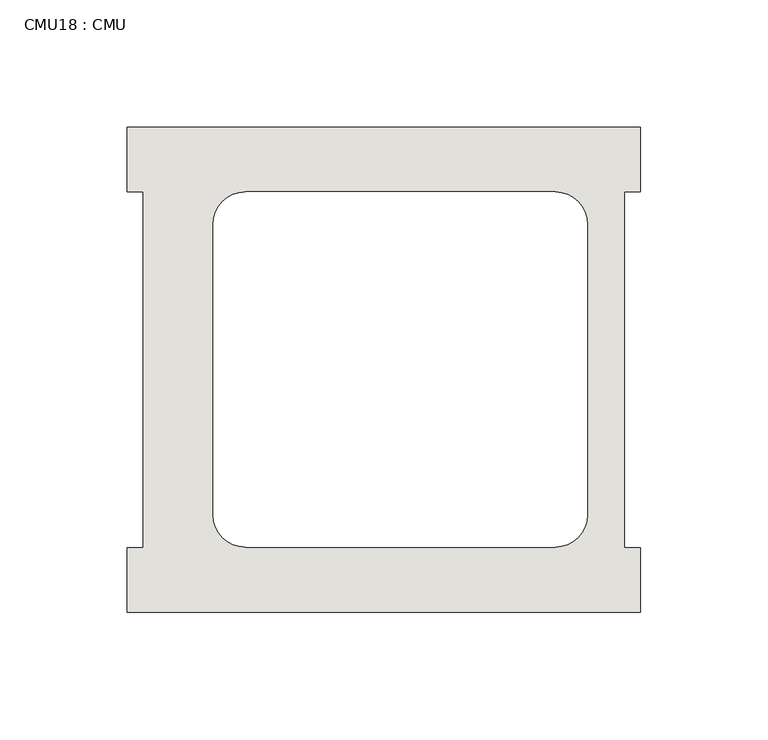
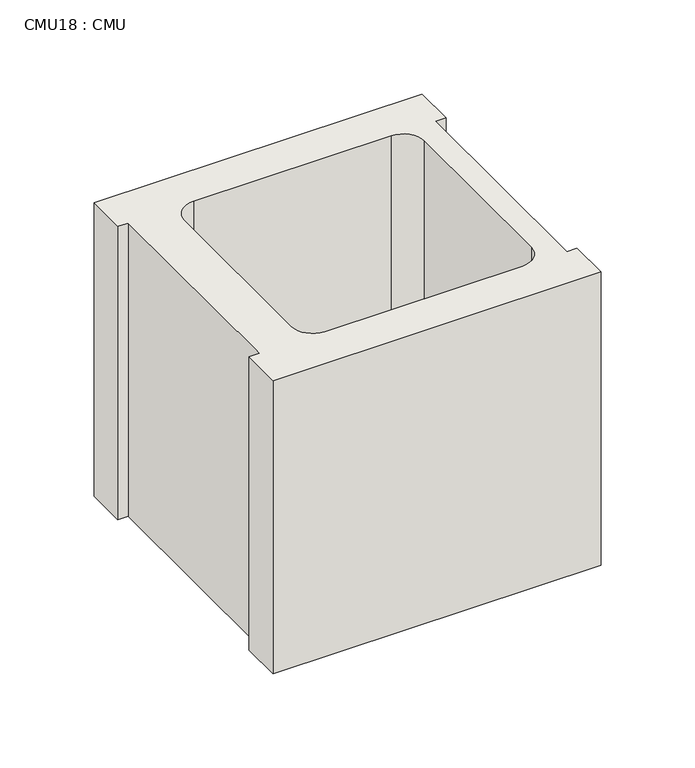
"""IFC4 building model written with IfcOpenShell, lengths in millimetres: wall geometry, CMU18 : CMU."""

from ifc_helpers import new_model, si_unit, point, frame, frame_2d, origin, place, context, project, spatial, polyline, circle_curve, trimmed, segment, composite_curve, outline, extrude, source, transform, mapped, element, save


def cmu18_cmu_24c9029f(model_context):
    return source(origin(), model_context, "Body", "SweptSolid", [
        extrude(outline(polyline([(-2022.9785982, 3347.4652891), (-1821.3660982, 3347.4652891), (-1821.3660982, 3322.0652891), (-1827.7160982, 3322.0652891), (-1827.7160982, 3182.3652891), (-1821.3660982, 3182.3652891), (-1821.3660982, 3156.9652891), (-2022.9785982, 3156.9652891), (-2022.9785982, 3182.3652891), (-2016.6285982, 3182.3652891), (-2016.6285982, 3322.0652891), (-2022.9785982, 3322.0652891), (-2022.9785982, 3347.4652891)]), holes=[composite_curve([segment(polyline([(-1854.8105995, 3322.0652891), (-1976.5272496, 3322.0652891)]), True, "CONTINUOUS"), segment(trimmed(circle_curve(frame_2d((-1976.5272496, 3309.3652891)), 12.7), [point((-1976.5272496, 3322.0652891))], [point((-1989.2272496, 3309.3652891))], True, "CARTESIAN"), True, "CONTINUOUS"), segment(polyline([(-1989.2272496, 3309.3652891), (-1989.2272496, 3195.2994494)]), True, "CONTINUOUS"), segment(trimmed(circle_curve(frame_2d((-1976.5272496, 3195.2994494)), 12.7), [point((-1989.2272496, 3195.2994494))], [point((-1976.5272496, 3182.5994494))], True, "CARTESIAN"), True, "CONTINUOUS"), segment(polyline([(-1976.5272496, 3182.5994494), (-1854.8105995, 3182.5994494)]), True, "CONTINUOUS"), segment(trimmed(circle_curve(frame_2d((-1854.8105995, 3195.2994494)), 12.7), [point((-1854.8105995, 3182.5994494))], [point((-1842.1105995, 3195.2994494))], True, "CARTESIAN"), True, "CONTINUOUS"), segment(polyline([(-1842.1105995, 3195.2994494), (-1842.1105995, 3309.3652891)]), True, "CONTINUOUS"), segment(trimmed(circle_curve(frame_2d((-1854.8105995, 3309.3652891)), 12.7), [point((-1842.1105995, 3309.3652891))], [point((-1854.8105995, 3322.0652891))], True, "CARTESIAN"), True, "CONTINUOUS")], self_intersect=False)]), frame((0.0, 0.0, 203.2), z_axis=(0.0, 0.0, 1.0), x_axis=(1.0, 0.0, 0.0)), (0.0, 0.0, 1.0), 190.5),
    ])


if __name__ == "__main__":
    model = new_model("IFC4")
    model_context = context("Model", 3, world=origin())
    ifc_project = project(units=[si_unit("LENGTHUNIT", "METRE", prefix="MILLI")], contexts=[model_context])
    site = spatial("IfcSite", under=ifc_project)
    building = spatial("IfcBuilding", under=site)
    placement = place(None, origin())
    cmu18_cmu_shape = cmu18_cmu_24c9029f(model_context)
    element("IfcWall", 1, ObjectType="CMU18 : CMU", at=placement, inside=building, context=model_context, shape_type="MappedRepresentation", body=[
        mapped(cmu18_cmu_shape, transform((0.0, 0.0, 0.0), x_axis=(1.0, 0.0, 0.0), y_axis=(0.0, 1.0, 0.0), z_axis=(0.0, 0.0, 1.0))),
    ])
    save(model, "model.ifc")
